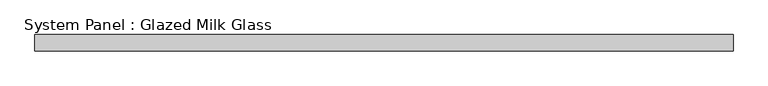
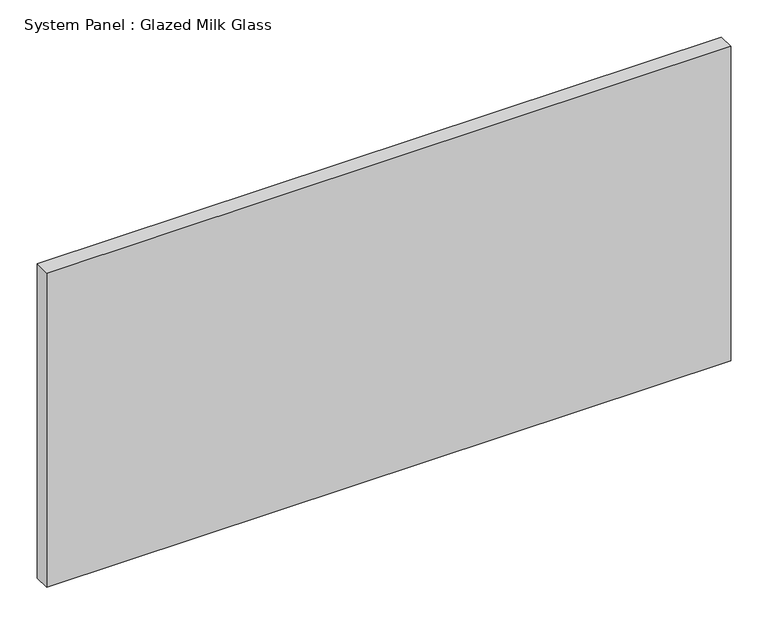
"""IFC4 building model written with IfcOpenShell, lengths in millimetres: plate geometry, System Panel : Glazed Milk Glass."""

from ifc_helpers import new_model, si_unit, origin, origin_with_axes, place, context, project, spatial, polyline, outline, extrude, source, transform, mapped, element, save


def system_panel_glazed_milk_glass_4f0021c1(model_context):
    return source(origin(), model_context, "Body", "SweptSolid", [
        extrude(outline(polyline([(530.35, -12.5), (-530.35, -12.5), (-530.35, 12.5), (530.35, 12.5), (530.35, -12.5)])), origin_with_axes(), (0.0, 0.0, 1.0), 515.0),
    ])


if __name__ == "__main__":
    model = new_model("IFC4")
    model_context = context("Model", 3, world=origin())
    ifc_project = project(units=[si_unit("LENGTHUNIT", "METRE", prefix="MILLI")], contexts=[model_context])
    site = spatial("IfcSite", under=ifc_project)
    building = spatial("IfcBuilding", under=site)
    placement = place(None, origin())
    system_panel_glazed_milk_glass_shape = system_panel_glazed_milk_glass_4f0021c1(model_context)
    element("IfcPlate", 1, ObjectType="System Panel : Glazed Milk Glass", at=placement, inside=building, context=model_context, shape_type="MappedRepresentation", body=[
        mapped(system_panel_glazed_milk_glass_shape, transform((0.0, 0.0, 0.0), x_axis=(1.0, 0.0, 0.0), y_axis=(0.0, 1.0, 0.0), z_axis=(0.0, 0.0, 1.0))),
    ])
    save(model, "model.ifc")
